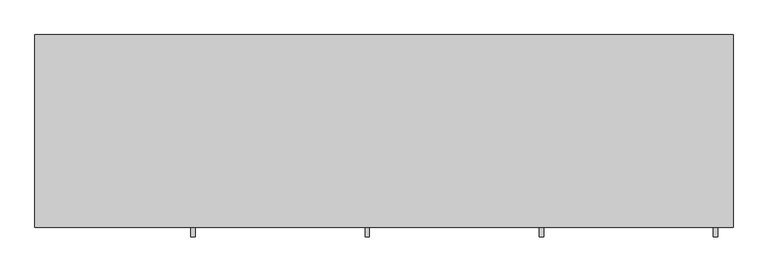
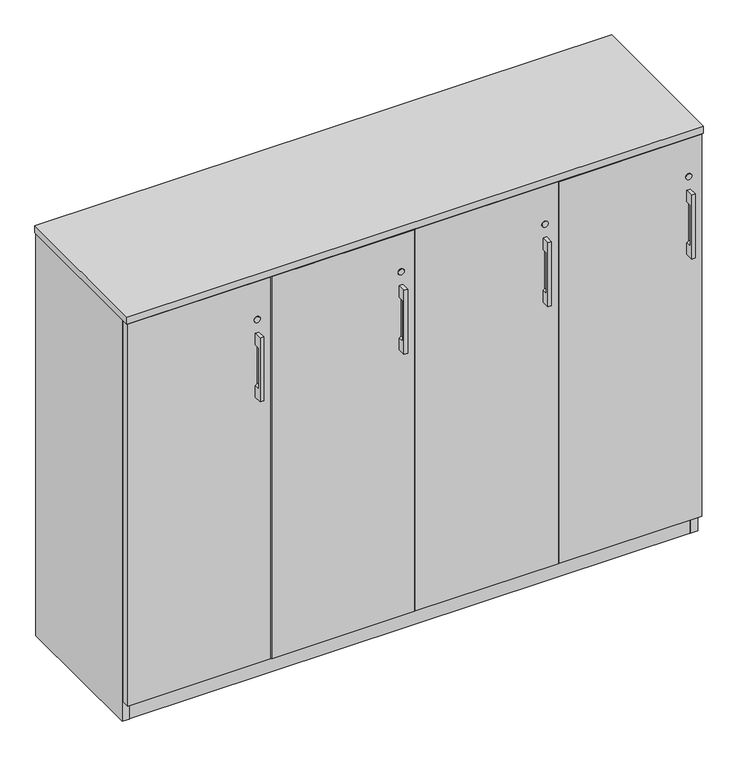
"""IFC4 building model written with IfcOpenShell, lengths in millimetres: furniture geometry."""

from ifc_helpers import new_model, si_unit, point, frame, frame_2d, origin, origin_with_axes, place, context, project, spatial, polyline, circle_curve, trimmed, segment, composite_curve, outline, extrude, source, transform, mapped, element, save
from ifc_brep_helpers import plane_surface, revolved_surface, advanced_brep


def furniture_a7ebf4fa(model_context):
    return source(origin(), model_context, "Body", "SolidModel", [
        advanced_brep(
        [(338.9312421, -447.8115021, 980.4908), (338.9312421, -447.8115021, 802.6908), (348.4562421, -447.8115021, 802.6908), (348.4562421, -447.8115021, 980.4908), (338.9312421, -425.5865021, 980.4908), (348.4562421, -425.5865021, 980.4908), (348.4562421, -425.5865021, 802.6908), (338.9312421, -425.5865021, 802.6908), (338.9312421, -425.5865021, 834.6424389), (343.6937421, -425.5865021, 840.7908), (343.6937421, -425.5865021, 942.3908), (338.9312421, -425.5865021, 948.5391611), (338.9312421, -441.523499, 948.5391611), (338.9312421, -441.523499, 834.6424389), (343.6937421, -441.523499, 942.3908), (343.6937421, -441.523499, 840.7908)],
        [
            (0, 1),
            (1, 2),
            (2, 3),
            (3, 0),
            (4, 5),
            (5, 6),
            (6, 7),
            (7, 8),
            (8, 9, circle_curve(frame((337.3437421, -425.5865021, 840.7908), z_axis=(0.0, -1.0, 0.0), x_axis=(1.0, 0.0, 0.0)), 6.35)),
            (9, 10),
            (10, 11, circle_curve(frame((337.3437421, -425.5865021, 942.3908), z_axis=(0.0, -1.0, 0.0), x_axis=(1.0, 0.0, 0.0)), 6.35)),
            (11, 4),
            (0, 4),
            (11, 12),
            (12, 13),
            (13, 8),
            (7, 1),
            (6, 2),
            (5, 3),
            (14, 15),
            (15, 13, circle_curve(frame((337.3437421, -441.523499, 840.7908), z_axis=(0.0, 1.0, 0.0), x_axis=(1.0, 0.0, 0.0)), 6.35)),
            (12, 14, circle_curve(frame((337.3437421, -441.523499, 942.3908), z_axis=(0.0, 1.0, 0.0), x_axis=(1.0, 0.0, 0.0)), 6.35)),
            (14, 10),
            (9, 15),
        ],
        [
            plane_surface(frame((338.9312421, -447.8115021, 802.6908), z_axis=(0.0, -1.0, 0.0), x_axis=(0.0, 0.0, -1.0))),
            plane_surface(frame((338.9312421, -425.5865021, 802.6908), z_axis=(0.0, 1.0, 0.0), x_axis=(0.0, 0.0, 1.0))),
            plane_surface(frame((338.9312421, -447.8115021, 980.4908), z_axis=(-1.0, 0.0, 0.0), x_axis=(0.0, 1.0, 0.0))),
            plane_surface(frame((338.9312421, -447.8115021, 802.6908), z_axis=(0.0, 0.0, -1.0), x_axis=(0.0, 1.0, 0.0))),
            plane_surface(frame((348.4562421, -447.8115021, 802.6908), z_axis=(1.0, 0.0, 0.0), x_axis=(0.0, 1.0, 0.0))),
            plane_surface(frame((348.4562421, -447.8115021, 980.4908), z_axis=(0.0, 0.0, 1.0), x_axis=(0.0, 1.0, 0.0))),
            plane_surface(frame((324.6437421, -441.523499, 948.7408), z_axis=(0.0, 1.0, 0.0), x_axis=(-1.0, 0.0, 0.0))),
            plane_surface(frame((343.6937421, -441.523499, 840.7908), z_axis=(-1.0, 0.0, 0.0), x_axis=(0.0, 1.0, 0.0))),
            revolved_surface(polyline([(343.6937421, -441.523499, 840.7908), (343.6937421, -425.5865021, 840.7908)]), (337.3437421, -425.5865021, 840.7908), (0.0, -1.0, 0.0)),
            revolved_surface(polyline([(343.6937421, -441.523499, 942.3908), (343.6937421, -425.5865021, 942.3908)]), (337.3437421, -425.5865021, 942.3908), (0.0, -1.0, 0.0)),
        ],
        [
            (0, [[1, 2, 3, 4]]),
            (1, [[5, 6, 7, 8, 9, 10, 11, 12]]),
            (2, [[-1, 13, -12, 14, 15, 16, -8, 17]]),
            (3, [[-2, -17, -7, 18]]),
            (4, [[-3, -18, -6, 19]]),
            (5, [[-4, -19, -5, -13]]),
            (6, [[20, 21, -15, 22]]),
            (7, [[-20, 23, -10, 24]]),
            (8, [[-24, -9, -16, -21]]),
            (9, [[-23, -22, -14, -11]]),
        ],
    ),
        advanced_brep(
        [(1474.7875158, -447.8115021, 980.4908), (1474.7875158, -447.8115021, 802.6908), (1484.3125158, -447.8115021, 802.6908), (1484.3125158, -447.8115021, 980.4908), (1474.7875158, -425.5865021, 980.4908), (1484.3125158, -425.5865021, 980.4908), (1484.3125158, -425.5865021, 802.6908), (1474.7875158, -425.5865021, 802.6908), (1474.7875158, -425.5865021, 834.6424389), (1479.5500158, -425.5865021, 840.7908), (1479.5500158, -425.5865021, 942.3908), (1474.7875158, -425.5865021, 948.5391611), (1474.7875158, -441.523499, 948.5391611), (1474.7875158, -441.523499, 834.6424389), (1479.5500158, -441.523499, 942.3908), (1479.5500158, -441.523499, 840.7908)],
        [
            (0, 1),
            (1, 2),
            (2, 3),
            (3, 0),
            (4, 5),
            (5, 6),
            (6, 7),
            (7, 8),
            (8, 9, circle_curve(frame((1473.2000158, -425.5865021, 840.7908), z_axis=(0.0, -1.0, 0.0), x_axis=(1.0, 0.0, 0.0)), 6.35)),
            (9, 10),
            (10, 11, circle_curve(frame((1473.2000158, -425.5865021, 942.3908), z_axis=(0.0, -1.0, 0.0), x_axis=(1.0, 0.0, 0.0)), 6.35)),
            (11, 4),
            (0, 4),
            (11, 12),
            (12, 13),
            (13, 8),
            (7, 1),
            (6, 2),
            (5, 3),
            (14, 15),
            (15, 13, circle_curve(frame((1473.2000158, -441.523499, 840.7908), z_axis=(0.0, 1.0, 0.0), x_axis=(1.0, 0.0, 0.0)), 6.35)),
            (12, 14, circle_curve(frame((1473.2000158, -441.523499, 942.3908), z_axis=(0.0, 1.0, 0.0), x_axis=(1.0, 0.0, 0.0)), 6.35)),
            (14, 10),
            (9, 15),
        ],
        [
            plane_surface(frame((1474.7875158, -447.8115021, 802.6908), z_axis=(0.0, -1.0, 0.0), x_axis=(0.0, 0.0, -1.0))),
            plane_surface(frame((1474.7875158, -425.5865021, 802.6908), z_axis=(0.0, 1.0, 0.0), x_axis=(0.0, 0.0, 1.0))),
            plane_surface(frame((1474.7875158, -447.8115021, 980.4908), z_axis=(-1.0, 0.0, 0.0), x_axis=(0.0, 1.0, 0.0))),
            plane_surface(frame((1474.7875158, -447.8115021, 802.6908), z_axis=(0.0, 0.0, -1.0), x_axis=(0.0, 1.0, 0.0))),
            plane_surface(frame((1484.3125158, -447.8115021, 802.6908), z_axis=(1.0, 0.0, 0.0), x_axis=(0.0, 1.0, 0.0))),
            plane_surface(frame((1484.3125158, -447.8115021, 980.4908), z_axis=(0.0, 0.0, 1.0), x_axis=(0.0, 1.0, 0.0))),
            plane_surface(frame((1460.5000158, -441.523499, 948.7408), z_axis=(0.0, 1.0, 0.0), x_axis=(-1.0, 0.0, 0.0))),
            plane_surface(frame((1479.5500158, -441.523499, 840.7908), z_axis=(-1.0, 0.0, 0.0), x_axis=(0.0, 1.0, 0.0))),
            revolved_surface(polyline([(1479.5500158, -441.523499, 840.7908), (1479.5500158, -425.5865021, 840.7908)]), (1473.2000158, -425.5865021, 840.7908), (0.0, -1.0, 0.0)),
            revolved_surface(polyline([(1479.5500158, -441.523499, 942.3908), (1479.5500158, -425.5865021, 942.3908)]), (1473.2000158, -425.5865021, 942.3908), (0.0, -1.0, 0.0)),
        ],
        [
            (0, [[1, 2, 3, 4]]),
            (1, [[5, 6, 7, 8, 9, 10, 11, 12]]),
            (2, [[-1, 13, -12, 14, 15, 16, -8, 17]]),
            (3, [[-2, -17, -7, 18]]),
            (4, [[-3, -18, -6, 19]]),
            (5, [[-4, -19, -5, -13]]),
            (6, [[20, 21, -15, 22]]),
            (7, [[-20, 23, -10, 24]]),
            (8, [[-24, -9, -16, -21]]),
            (9, [[-23, -22, -14, -11]]),
        ],
    ),
        advanced_brep(
        [(1096.1687579, -447.8115021, 980.4908), (1096.1687579, -447.8115021, 802.6908), (1105.6937579, -447.8115021, 802.6908), (1105.6937579, -447.8115021, 980.4908), (1096.1687579, -425.5865021, 980.4908), (1105.6937579, -425.5865021, 980.4908), (1105.6937579, -425.5865021, 802.6908), (1096.1687579, -425.5865021, 802.6908), (1096.1687579, -425.5865021, 834.6424389), (1100.9312579, -425.5865021, 840.7908), (1100.9312579, -425.5865021, 942.3908), (1096.1687579, -425.5865021, 948.5391611), (1096.1687579, -441.523499, 948.5391611), (1096.1687579, -441.523499, 834.6424389), (1100.9312579, -441.523499, 942.3908), (1100.9312579, -441.523499, 840.7908)],
        [
            (0, 1),
            (1, 2),
            (2, 3),
            (3, 0),
            (4, 5),
            (5, 6),
            (6, 7),
            (7, 8),
            (8, 9, circle_curve(frame((1094.5812579, -425.5865021, 840.7908), z_axis=(0.0, -1.0, 0.0), x_axis=(1.0, 0.0, 0.0)), 6.35)),
            (9, 10),
            (10, 11, circle_curve(frame((1094.5812579, -425.5865021, 942.3908), z_axis=(0.0, -1.0, 0.0), x_axis=(1.0, 0.0, 0.0)), 6.35)),
            (11, 4),
            (0, 4),
            (11, 12),
            (12, 13),
            (13, 8),
            (7, 1),
            (6, 2),
            (5, 3),
            (14, 15),
            (15, 13, circle_curve(frame((1094.5812579, -441.523499, 840.7908), z_axis=(0.0, 1.0, 0.0), x_axis=(1.0, 0.0, 0.0)), 6.35)),
            (12, 14, circle_curve(frame((1094.5812579, -441.523499, 942.3908), z_axis=(0.0, 1.0, 0.0), x_axis=(1.0, 0.0, 0.0)), 6.35)),
            (14, 10),
            (9, 15),
        ],
        [
            plane_surface(frame((1096.1687579, -447.8115021, 802.6908), z_axis=(0.0, -1.0, 0.0), x_axis=(0.0, 0.0, -1.0))),
            plane_surface(frame((1096.1687579, -425.5865021, 802.6908), z_axis=(0.0, 1.0, 0.0), x_axis=(0.0, 0.0, 1.0))),
            plane_surface(frame((1096.1687579, -447.8115021, 980.4908), z_axis=(-1.0, 0.0, 0.0), x_axis=(0.0, 1.0, 0.0))),
            plane_surface(frame((1096.1687579, -447.8115021, 802.6908), z_axis=(0.0, 0.0, -1.0), x_axis=(0.0, 1.0, 0.0))),
            plane_surface(frame((1105.6937579, -447.8115021, 802.6908), z_axis=(1.0, 0.0, 0.0), x_axis=(0.0, 1.0, 0.0))),
            plane_surface(frame((1105.6937579, -447.8115021, 980.4908), z_axis=(0.0, 0.0, 1.0), x_axis=(0.0, 1.0, 0.0))),
            plane_surface(frame((1081.8812579, -441.523499, 948.7408), z_axis=(0.0, 1.0, 0.0), x_axis=(-1.0, 0.0, 0.0))),
            plane_surface(frame((1100.9312579, -441.523499, 840.7908), z_axis=(-1.0, 0.0, 0.0), x_axis=(0.0, 1.0, 0.0))),
            revolved_surface(polyline([(1100.9312579, -441.523499, 840.7908), (1100.9312579, -425.5865021, 840.7908)]), (1094.5812579, -425.5865021, 840.7908), (0.0, -1.0, 0.0)),
            revolved_surface(polyline([(1100.9312579, -441.523499, 942.3908), (1100.9312579, -425.5865021, 942.3908)]), (1094.5812579, -425.5865021, 942.3908), (0.0, -1.0, 0.0)),
        ],
        [
            (0, [[1, 2, 3, 4]]),
            (1, [[5, 6, 7, 8, 9, 10, 11, 12]]),
            (2, [[-1, 13, -12, 14, 15, 16, -8, 17]]),
            (3, [[-2, -17, -7, 18]]),
            (4, [[-3, -18, -6, 19]]),
            (5, [[-4, -19, -5, -13]]),
            (6, [[20, 21, -15, 22]]),
            (7, [[-20, 23, -10, 24]]),
            (8, [[-24, -9, -16, -21]]),
            (9, [[-23, -22, -14, -11]]),
        ],
    ),
        advanced_brep(
        [(717.55, -447.8115021, 980.4908), (717.55, -447.8115021, 802.6908), (727.075, -447.8115021, 802.6908), (727.075, -447.8115021, 980.4908), (717.55, -425.5865021, 980.4908), (727.075, -425.5865021, 980.4908), (727.075, -425.5865021, 802.6908), (717.55, -425.5865021, 802.6908), (717.55, -425.5865021, 834.6424389), (722.3125, -425.5865021, 840.7908), (722.3125, -425.5865021, 942.3908), (717.55, -425.5865021, 948.5391611), (717.55, -441.523499, 948.5391611), (717.55, -441.523499, 834.6424389), (722.3125, -441.523499, 942.3908), (722.3125, -441.523499, 840.7908)],
        [
            (0, 1),
            (1, 2),
            (2, 3),
            (3, 0),
            (4, 5),
            (5, 6),
            (6, 7),
            (7, 8),
            (8, 9, circle_curve(frame((715.9625, -425.5865021, 840.7908), z_axis=(0.0, -1.0, 0.0), x_axis=(1.0, 0.0, 0.0)), 6.35)),
            (9, 10),
            (10, 11, circle_curve(frame((715.9625, -425.5865021, 942.3908), z_axis=(0.0, -1.0, 0.0), x_axis=(1.0, 0.0, 0.0)), 6.35)),
            (11, 4),
            (0, 4),
            (11, 12),
            (12, 13),
            (13, 8),
            (7, 1),
            (6, 2),
            (5, 3),
            (14, 15),
            (15, 13, circle_curve(frame((715.9625, -441.523499, 840.7908), z_axis=(0.0, 1.0, 0.0), x_axis=(1.0, 0.0, 0.0)), 6.35)),
            (12, 14, circle_curve(frame((715.9625, -441.523499, 942.3908), z_axis=(0.0, 1.0, 0.0), x_axis=(1.0, 0.0, 0.0)), 6.35)),
            (14, 10),
            (9, 15),
        ],
        [
            plane_surface(frame((717.55, -447.8115021, 802.6908), z_axis=(0.0, -1.0, 0.0), x_axis=(0.0, 0.0, -1.0))),
            plane_surface(frame((717.55, -425.5865021, 802.6908), z_axis=(0.0, 1.0, 0.0), x_axis=(0.0, 0.0, 1.0))),
            plane_surface(frame((717.55, -447.8115021, 980.4908), z_axis=(-1.0, 0.0, 0.0), x_axis=(0.0, 1.0, 0.0))),
            plane_surface(frame((717.55, -447.8115021, 802.6908), z_axis=(0.0, 0.0, -1.0), x_axis=(0.0, 1.0, 0.0))),
            plane_surface(frame((727.075, -447.8115021, 802.6908), z_axis=(1.0, 0.0, 0.0), x_axis=(0.0, 1.0, 0.0))),
            plane_surface(frame((727.075, -447.8115021, 980.4908), z_axis=(0.0, 0.0, 1.0), x_axis=(0.0, 1.0, 0.0))),
            plane_surface(frame((703.2625, -441.523499, 948.7408), z_axis=(0.0, 1.0, 0.0), x_axis=(-1.0, 0.0, 0.0))),
            plane_surface(frame((722.3125, -441.523499, 840.7908), z_axis=(-1.0, 0.0, 0.0), x_axis=(0.0, 1.0, 0.0))),
            revolved_surface(polyline([(722.3125, -441.523499, 840.7908), (722.3125, -425.5865021, 840.7908)]), (715.9625, -425.5865021, 840.7908), (0.0, -1.0, 0.0)),
            revolved_surface(polyline([(722.3125, -441.523499, 942.3908), (722.3125, -425.5865021, 942.3908)]), (715.9625, -425.5865021, 942.3908), (0.0, -1.0, 0.0)),
        ],
        [
            (0, [[1, 2, 3, 4]]),
            (1, [[5, 6, 7, 8, 9, 10, 11, 12]]),
            (2, [[-1, 13, -12, 14, 15, 16, -8, 17]]),
            (3, [[-2, -17, -7, 18]]),
            (4, [[-3, -18, -6, 19]]),
            (5, [[-4, -19, -5, -13]]),
            (6, [[20, 21, -15, 22]]),
            (7, [[-20, 23, -10, 24]]),
            (8, [[-24, -9, -16, -21]]),
            (9, [[-23, -22, -14, -11]]),
        ],
    ),
        extrude(outline(polyline([(1455.3192181, -345.6312472), (1471.2670759, -336.4237472), (1487.2149337, -345.6312472), (1487.2149337, -364.0462472), (1471.2670759, -373.2537472), (1455.3192181, -364.0462472), (1455.3192181, -345.6312472)])), origin_with_axes(), (0.0, 0.0, 1.0), 9.144),
        extrude(outline(polyline([(1455.3192181, -47.1181713), (1471.2670759, -37.9106713), (1487.2149337, -47.1181713), (1487.2149337, -65.5331713), (1471.2670759, -74.7406713), (1455.3192181, -65.5331713), (1455.3192181, -47.1181713)])), origin_with_axes(), (0.0, 0.0, 1.0), 9.144),
        extrude(outline(polyline([(30.4350663, -345.6312472), (46.3829241, -336.4237472), (62.3307819, -345.6312472), (62.3307819, -364.0462472), (46.3829241, -373.2537472), (30.4350663, -364.0462472), (30.4350663, -345.6312472)])), origin_with_axes(), (0.0, 0.0, 1.0), 9.144),
        extrude(outline(polyline([(30.4350663, -47.1181713), (46.3829241, -37.9106713), (62.3307819, -47.1181713), (62.3307819, -65.5331713), (46.3829241, -74.7406713), (30.4350663, -65.5331713), (30.4350663, -47.1181713)])), origin_with_axes(), (0.0, 0.0, 1.0), 9.144),
        extrude(outline(polyline([(739.5210079, -30.4938704), (758.8250079, -30.4938704), (758.8250079, -401.5835036), (739.5210079, -401.5835036), (739.5210079, -30.4938704)])), frame((0.0, 0.0, 79.57058), z_axis=(0.0, 0.0, 1.0), x_axis=(1.0, 0.0, 0.0)), (0.0, 0.0, 1.0), 1046.20822),
        extrude(outline(polyline([(1118.1397579, -30.4938704), (1137.4437579, -30.4938704), (1137.4437579, -401.5835036), (1118.1397579, -401.5835036), (1118.1397579, -30.4938704)])), frame((0.0, 0.0, 79.57058), z_axis=(0.0, 0.0, 1.0), x_axis=(1.0, 0.0, 0.0)), (0.0, 0.0, 1.0), 1046.20822),
        extrude(outline(polyline([(380.2062421, -30.4938704), (380.2062421, -401.5835036), (360.9022421, -401.5835036), (360.9022421, -30.4938704), (380.2062421, -30.4938704)])), frame((0.0, 0.0, 79.57058), z_axis=(0.0, 0.0, 1.0), x_axis=(1.0, 0.0, 0.0)), (0.0, 0.0, 1.0), 1046.20822),
        extrude(outline(polyline([(1496.7585154, -11.1898712), (1496.7585154, -30.4938704), (20.8915005, -30.4938704), (20.8915005, -11.1898712), (1496.7585154, -11.1898712)])), frame((0.0, 0.0, 4.699), z_axis=(0.0, 0.0, 1.0), x_axis=(1.0, 0.0, 0.0)), (0.0, 0.0, 1.0), 1121.0798),
        extrude(outline(polyline([(20.8915005, -9.6658713), (20.8915005, -403.1075021), (1.5874842, -403.1075021), (1.5874842, -9.6658713), (20.8915005, -9.6658713)])), frame((0.0, 0.0, 4.699), z_axis=(0.0, 0.0, 1.0), x_axis=(1.0, 0.0, 0.0)), (0.0, 0.0, 1.0), 1121.0798),
        extrude(outline(polyline([(1496.7585154, -9.6658713), (1516.0625158, -9.6658713), (1516.0625158, -403.1075021), (1496.7585154, -403.1075021), (1496.7585154, -9.6658713)])), frame((0.0, 0.0, 4.699), z_axis=(0.0, 0.0, 1.0), x_axis=(1.0, 0.0, 0.0)), (0.0, 0.0, 1.0), 1121.0798),
        extrude(outline(polyline([(778.1290079, -30.4938704), (778.1290079, -401.5835036), (758.8250079, -401.5835036), (758.8250079, -30.4938704), (778.1290079, -30.4938704)])), frame((0.0, 0.0, 79.57058), z_axis=(0.0, 0.0, 1.0), x_axis=(1.0, 0.0, 0.0)), (0.0, 0.0, 1.0), 1046.20822),
        extrude(outline(polyline([(380.2062421, -30.4938704), (399.5102421, -30.4938704), (399.5102421, -401.5835036), (380.2062421, -401.5835036), (380.2062421, -30.4938704)])), frame((0.0, 0.0, 79.57058), z_axis=(0.0, 0.0, 1.0), x_axis=(1.0, 0.0, 0.0)), (0.0, 0.0, 1.0), 1046.20822),
        extrude(outline(polyline([(1156.7477579, -30.4938704), (1156.7477579, -401.5835036), (1137.4437579, -401.5835036), (1137.4437579, -30.4938704), (1156.7477579, -30.4938704)])), frame((0.0, 0.0, 79.57058), z_axis=(0.0, 0.0, 1.0), x_axis=(1.0, 0.0, 0.0)), (0.0, 0.0, 1.0), 1046.20822),
        extrude(outline(polyline([(1496.7585154, -30.4938704), (1496.7585154, -402.7264934), (20.8915005, -402.7264934), (20.8915005, -30.4938704), (1496.7585154, -30.4938704)])), frame((0.0, 0.0, 1106.4748), z_axis=(0.0, 0.0, 1.0), x_axis=(1.0, 0.0, 0.0)), (0.0, 0.0, 1.0), 19.304),
        extrude(outline(polyline([(1517.65, -8.0783713), (1517.65, -427.1783713), (0.0, -427.1783713), (0.0, -8.0783713), (1517.65, -8.0783713)])), frame((0.0, 0.0, 1125.7788031), z_axis=(0.0, 0.0, 1.0), x_axis=(1.0, 0.0, 0.0)), (0.0, 0.0, 1.0), 19.0499969),
        extrude(outline(polyline([(1496.7585154, -30.4938704), (1496.7585154, -402.7264934), (20.8915005, -402.7264934), (20.8915005, -30.4938704), (1496.7585154, -30.4938704)])), frame((0.0, 0.0, 60.26658), z_axis=(0.0, 0.0, 1.0), x_axis=(1.0, 0.0, 0.0)), (0.0, 0.0, 1.0), 19.304),
        extrude(outline(polyline([(1496.7585154, -401.5835036), (20.8915005, -401.5835036), (20.8915005, -382.2795036), (1496.7585154, -382.2795036), (1496.7585154, -401.5835036)])), frame((0.0, 0.0, 4.699), z_axis=(0.0, 0.0, 1.0), x_axis=(1.0, 0.0, 0.0)), (0.0, 0.0, 1.0), 55.56758),
        extrude(outline(composite_curve([segment(trimmed(circle_curve(frame_2d((1017.8288, 343.6937421)), 8.001), [point((1017.8288, 335.6927421))], [point((1017.8288, 351.6947421))], False, "CARTESIAN"), True, "CONTINUOUS"), segment(trimmed(circle_curve(frame_2d((1017.8288, 343.6937421)), 8.001), [point((1017.8288, 351.6947421))], [point((1017.8288, 335.6927421))], False, "CARTESIAN"), True, "CONTINUOUS")], self_intersect=False)), frame((0.0, -427.1783713, 0.0), z_axis=(0.0, 1.0, 0.0), x_axis=(0.0, 0.0, 1.0)), (0.0, 0.0, 1.0), 1.5918692),
        extrude(outline(composite_curve([segment(trimmed(circle_curve(frame_2d((1017.8288, 722.3125)), 8.001), [point((1017.8288, 714.3115))], [point((1017.8288, 730.3135))], False, "CARTESIAN"), True, "CONTINUOUS"), segment(trimmed(circle_curve(frame_2d((1017.8288, 722.3125)), 8.001), [point((1017.8288, 730.3135))], [point((1017.8288, 714.3115))], False, "CARTESIAN"), True, "CONTINUOUS")], self_intersect=False)), frame((0.0, -427.1783713, 0.0), z_axis=(0.0, 1.0, 0.0), x_axis=(0.0, 0.0, 1.0)), (0.0, 0.0, 1.0), 1.5918692),
        extrude(outline(composite_curve([segment(trimmed(circle_curve(frame_2d((1017.8288, 1100.9312579)), 8.001), [point((1017.8288, 1092.9302579))], [point((1017.8288, 1108.9322579))], False, "CARTESIAN"), True, "CONTINUOUS"), segment(trimmed(circle_curve(frame_2d((1017.8288, 1100.9312579)), 8.001), [point((1017.8288, 1108.9322579))], [point((1017.8288, 1092.9302579))], False, "CARTESIAN"), True, "CONTINUOUS")], self_intersect=False)), frame((0.0, -427.1783713, 0.0), z_axis=(0.0, 1.0, 0.0), x_axis=(0.0, 0.0, 1.0)), (0.0, 0.0, 1.0), 1.5918692),
        extrude(outline(composite_curve([segment(trimmed(circle_curve(frame_2d((1017.8288, 1479.5500158)), 8.001), [point((1017.8288, 1471.5490158))], [point((1017.8288, 1487.5510158))], False, "CARTESIAN"), True, "CONTINUOUS"), segment(trimmed(circle_curve(frame_2d((1017.8288, 1479.5500158)), 8.001), [point((1017.8288, 1487.5510158))], [point((1017.8288, 1471.5490158))], False, "CARTESIAN"), True, "CONTINUOUS")], self_intersect=False)), frame((0.0, -427.1783713, 0.0), z_axis=(0.0, 1.0, 0.0), x_axis=(0.0, 0.0, 1.0)), (0.0, 0.0, 1.0), 1.5918692),
        extrude(outline(polyline([(378.6187421, -425.5865021), (3.175, -425.5865021), (3.175, -406.2825021), (378.6187421, -406.2825021), (378.6187421, -425.5865021)])), frame((0.0, 0.0, 60.26658), z_axis=(0.0, 0.0, 1.0), x_axis=(1.0, 0.0, 0.0)), (0.0, 0.0, 1.0), 1062.3372352),
        extrude(outline(polyline([(757.2375, -425.5865021), (381.7937421, -425.5865021), (381.7937421, -406.2825021), (757.2375, -406.2825021), (757.2375, -425.5865021)])), frame((0.0, 0.0, 60.26658), z_axis=(0.0, 0.0, 1.0), x_axis=(1.0, 0.0, 0.0)), (0.0, 0.0, 1.0), 1062.3372352),
        extrude(outline(polyline([(1135.8562579, -425.5865021), (760.4125, -425.5865021), (760.4125, -406.2825021), (1135.8562579, -406.2825021), (1135.8562579, -425.5865021)])), frame((0.0, 0.0, 60.26658), z_axis=(0.0, 0.0, 1.0), x_axis=(1.0, 0.0, 0.0)), (0.0, 0.0, 1.0), 1062.3372352),
        extrude(outline(polyline([(1514.4750158, -425.5865021), (1139.0312579, -425.5865021), (1139.0312579, -406.2825021), (1514.4750158, -406.2825021), (1514.4750158, -425.5865021)])), frame((0.0, 0.0, 60.26658), z_axis=(0.0, 0.0, 1.0), x_axis=(1.0, 0.0, 0.0)), (0.0, 0.0, 1.0), 1062.3372352),
    ])


if __name__ == "__main__":
    model = new_model("IFC4")
    model_context = context("Model", 3, world=origin())
    ifc_project = project(units=[si_unit("LENGTHUNIT", "METRE", prefix="MILLI")], contexts=[model_context])
    site = spatial("IfcSite", under=ifc_project)
    building = spatial("IfcBuilding", under=site)
    placement = place(None, origin())
    furniture_shape = furniture_a7ebf4fa(model_context)
    element("IfcFurniture", 1, at=placement, inside=building, context=model_context, shape_type="MappedRepresentation", body=[
        mapped(furniture_shape, transform((0.0, 0.0, 0.0), x_axis=(1.0, 0.0, 0.0), y_axis=(0.0, 1.0, 0.0), z_axis=(0.0, 0.0, 1.0))),
    ])
    save(model, "model.ifc")
